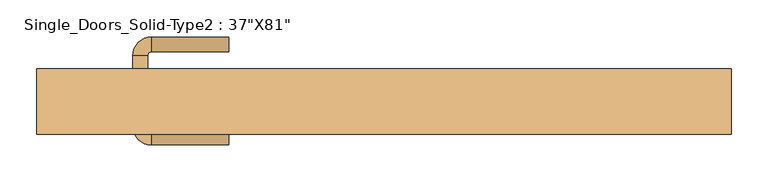
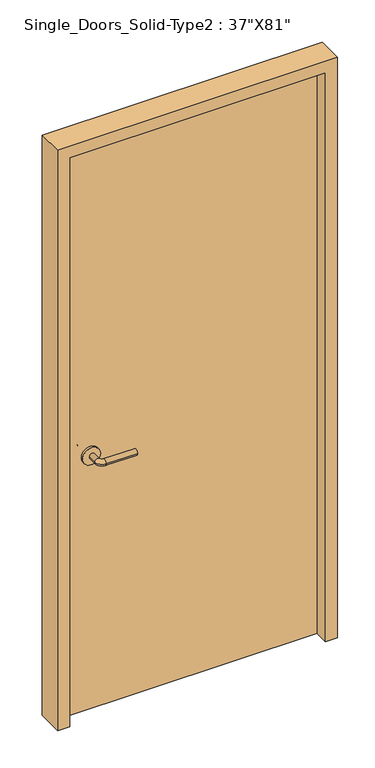
"""IFC4 building model written with IfcOpenShell, lengths in millimetres: door geometry."""

from ifc_helpers import new_model, si_unit, point, frame, frame_2d, origin, origin_with_axes, place, context, project, spatial, polyline, circle_curve, ellipse_curve, trimmed, segment, composite_curve, outline, extrude, source, transform, mapped, element, save
from ifc_brep_helpers import plane_surface, cylinder_surface, revolved_surface, advanced_brep


def door_2dcebad9(model_context):
    return source(origin(), model_context, "Body", "SolidModel", [
        advanced_brep(
        [(-339.9, -3.55, 900.0), (-319.9, -3.55, 900.0), (-319.9, -33.55, 900.0), (-339.9, -33.55, 900.0), (-314.9, -38.55, 900.0), (-314.9, -58.55, 900.0), (-209.9, -58.55, 900.0), (-209.9, -38.55, 900.0)],
        [
            (0, 1, circle_curve(frame((-329.9, -3.55, 900.0), z_axis=(0.0, 1.0, 0.0), x_axis=(1.0, 0.0, 0.0)), 10.0)),
            (1, 0, circle_curve(frame((-329.9, -3.55, 900.0), z_axis=(0.0, 1.0, 0.0), x_axis=(1.0, 0.0, 0.0)), 10.0)),
            (1, 2),
            (2, 3, circle_curve(frame((-329.9, -33.55, 900.0), z_axis=(0.0, 1.0, 0.0), x_axis=(1.0, 0.0, 0.0)), 10.0)),
            (3, 0),
            (3, 2, circle_curve(frame((-329.9, -33.55, 900.0), z_axis=(0.0, 1.0, 0.0), x_axis=(1.0, 0.0, 0.0)), 10.0)),
            (4, 5, circle_curve(frame((-314.9, -48.55, 900.0), z_axis=(-1.0, 0.0, 0.0), x_axis=(0.0, 1.0, 0.0)), 10.0)),
            (5, 3, circle_curve(frame((-314.9, -33.55, 900.0), z_axis=(0.0, 0.0, -1.0), x_axis=(-1.0, 0.0, 0.0)), 25.0)),
            (2, 4, circle_curve(frame((-314.9, -33.55, 900.0), z_axis=(0.0, 0.0, 1.0), x_axis=(-1.0, 0.0, 0.0)), 5.0)),
            (5, 4, circle_curve(frame((-314.9, -48.55, 900.0), z_axis=(-1.0, 0.0, 0.0), x_axis=(0.0, 1.0, 0.0)), 10.0)),
            (6, 7, circle_curve(frame((-209.9, -48.55, 900.0), z_axis=(1.0, 0.0, 0.0), x_axis=(0.0, 1.0, 0.0)), 10.0)),
            (7, 6, circle_curve(frame((-209.9, -48.55, 900.0), z_axis=(1.0, 0.0, 0.0), x_axis=(0.0, 1.0, 0.0)), 10.0)),
            (4, 7),
            (6, 5),
        ],
        [
            plane_surface(frame((-329.9, -3.55, 900.0), z_axis=(0.0, 1.0, 0.0), x_axis=(0.0, 0.0, 1.0))),
            cylinder_surface(frame((-329.9, -3.55, 900.0), z_axis=(0.0, 1.0, 0.0), x_axis=(1.0, 0.0, 0.0)), 10.0),
            revolved_surface(trimmed(ellipse_curve(frame((-329.9, -33.55, 900.0), z_axis=(0.0, -1.0, 0.0), x_axis=(1.0, 0.0, 0.0)), 10.0, 10.0), [point((-339.9, -33.55, 900.0))], [point((-319.9, -33.55, 900.0))], True, "CARTESIAN"), (-314.9, -33.55, 900.0), (0.0, 0.0, -1.0)),
            revolved_surface(trimmed(ellipse_curve(frame((-329.9, -33.55, 900.0), z_axis=(0.0, -1.0, 0.0), x_axis=(1.0, 0.0, 0.0)), 10.0, 10.0), [point((-319.9, -33.55, 900.0))], [point((-339.9, -33.55, 900.0))], True, "CARTESIAN"), (-314.9, -33.55, 900.0), (0.0, 0.0, -1.0)),
            plane_surface(frame((-209.9, -48.55, 900.0), z_axis=(1.0, 0.0, 0.0), x_axis=(0.0, 0.0, 1.0))),
            cylinder_surface(frame((-314.9, -48.55, 900.0), z_axis=(-1.0, 0.0, 0.0), x_axis=(0.0, 1.0, 0.0)), 10.0),
        ],
        [
            (0, [[1, 2]]),
            (1, [[3, 4, 5, -2]]),
            (1, [[-5, 6, -3, -1]]),
            (2, [[7, 8, -4, 9]]),
            (3, [[10, -9, -6, -8]]),
            (4, [[11, 12]]),
            (5, [[13, -11, 14, -7]]),
            (5, [[-14, -12, -13, -10]]),
        ],
    ),
        extrude(outline(composite_curve([segment(trimmed(circle_curve(frame_2d((900.0, -332.4)), 30.0), [point((900.0, -362.4))], [point((900.0, -302.4))], False, "CARTESIAN"), True, "CONTINUOUS"), segment(trimmed(circle_curve(frame_2d((900.0, -332.4)), 30.0), [point((900.0, -302.4))], [point((900.0, -362.4))], False, "CARTESIAN"), True, "CONTINUOUS")], self_intersect=False)), frame((0.0, -3.55, 0.0), z_axis=(0.0, 1.0, 0.0), x_axis=(0.0, 0.0, 1.0)), (0.0, 0.0, 1.0), 8.0),
        advanced_brep(
        [(-339.9, 32.45, 900.0), (-319.9, 32.45, 900.0), (-339.9, 62.45, 900.0), (-319.9, 62.45, 900.0), (-314.9, 67.45, 900.0), (-314.9, 87.45, 900.0), (-209.9, 87.45, 900.0), (-209.9, 67.45, 900.0)],
        [
            (0, 1, circle_curve(frame((-329.9, 32.45, 900.0), z_axis=(0.0, -1.0, 0.0), x_axis=(1.0, 0.0, 0.0)), 10.0)),
            (1, 0, circle_curve(frame((-329.9, 32.45, 900.0), z_axis=(0.0, -1.0, 0.0), x_axis=(1.0, 0.0, 0.0)), 10.0)),
            (0, 2),
            (2, 3, circle_curve(frame((-329.9, 62.45, 900.0), z_axis=(0.0, -1.0, 0.0), x_axis=(1.0, 0.0, 0.0)), 10.0)),
            (3, 1),
            (3, 2, circle_curve(frame((-329.9, 62.45, 900.0), z_axis=(0.0, -1.0, 0.0), x_axis=(1.0, 0.0, 0.0)), 10.0)),
            (4, 3, circle_curve(frame((-314.9, 62.45, 900.0), z_axis=(0.0, 0.0, 1.0), x_axis=(-1.0, 0.0, 0.0)), 5.0)),
            (2, 5, circle_curve(frame((-314.9, 62.45, 900.0), z_axis=(0.0, 0.0, -1.0), x_axis=(-1.0, 0.0, 0.0)), 25.0)),
            (5, 4, circle_curve(frame((-314.9, 77.45, 900.0), z_axis=(-1.0, 0.0, 0.0), x_axis=(0.0, -1.0, 0.0)), 10.0)),
            (4, 5, circle_curve(frame((-314.9, 77.45, 900.0), z_axis=(-1.0, 0.0, 0.0), x_axis=(0.0, -1.0, 0.0)), 10.0)),
            (6, 7, circle_curve(frame((-209.9, 77.45, 900.0), z_axis=(1.0, 0.0, 0.0), x_axis=(0.0, -1.0, 0.0)), 10.0)),
            (7, 6, circle_curve(frame((-209.9, 77.45, 900.0), z_axis=(1.0, 0.0, 0.0), x_axis=(0.0, -1.0, 0.0)), 10.0)),
            (5, 6),
            (7, 4),
        ],
        [
            plane_surface(frame((-329.9, 32.45, 900.0), z_axis=(0.0, -1.0, 0.0), x_axis=(0.0, 0.0, 1.0))),
            cylinder_surface(frame((-329.9, 32.45, 900.0), z_axis=(0.0, -1.0, 0.0), x_axis=(1.0, 0.0, 0.0)), 10.0),
            revolved_surface(trimmed(ellipse_curve(frame((-329.9, 62.45, 900.0), z_axis=(0.0, -1.0, 0.0), x_axis=(1.0, 0.0, 0.0)), 10.0, 10.0), [point((-339.9, 62.45, 900.0))], [point((-319.9, 62.45, 900.0))], True, "CARTESIAN"), (-314.9, 62.45, 900.0), (0.0, 0.0, -1.0)),
            revolved_surface(trimmed(ellipse_curve(frame((-329.9, 62.45, 900.0), z_axis=(0.0, -1.0, 0.0), x_axis=(1.0, 0.0, 0.0)), 10.0, 10.0), [point((-319.9, 62.45, 900.0))], [point((-339.9, 62.45, 900.0))], True, "CARTESIAN"), (-314.9, 62.45, 900.0), (0.0, 0.0, -1.0)),
            plane_surface(frame((-209.9, 77.45, 900.0), z_axis=(1.0, 0.0, 0.0), x_axis=(0.0, 0.0, 1.0))),
            cylinder_surface(frame((-314.9, 77.45, 900.0), z_axis=(-1.0, 0.0, 0.0), x_axis=(0.0, -1.0, 0.0)), 10.0),
        ],
        [
            (0, [[1, 2]]),
            (1, [[-1, 3, 4, 5]]),
            (1, [[-2, -5, 6, -3]]),
            (2, [[7, -4, 8, 9]]),
            (3, [[-8, -6, -7, 10]]),
            (4, [[11, 12]]),
            (5, [[-9, 13, -12, 14]]),
            (5, [[-10, -14, -11, -13]]),
        ],
    ),
        extrude(outline(composite_curve([segment(trimmed(circle_curve(frame_2d((900.0, -332.4)), 30.0), [point((900.0, -362.4))], [point((900.0, -302.4))], False, "CARTESIAN"), True, "CONTINUOUS"), segment(trimmed(circle_curve(frame_2d((900.0, -332.4)), 30.0), [point((900.0, -302.4))], [point((900.0, -362.4))], False, "CARTESIAN"), True, "CONTINUOUS")], self_intersect=False)), frame((0.0, 24.45, 0.0), z_axis=(0.0, 1.0, 0.0), x_axis=(0.0, 0.0, 1.0)), (0.0, 0.0, 1.0), 8.0),
        extrude(outline(polyline([(0.0, -469.9), (0.0, -429.9), (2017.4, -429.9), (2017.4, 429.9), (0.0, 429.9), (0.0, 469.9), (2057.4, 469.9), (2057.4, -469.9), (0.0, -469.9)])), frame((0.0, -44.45, 0.0), z_axis=(0.0, 1.0, 0.0), x_axis=(0.0, 0.0, 1.0)), (0.0, 0.0, 1.0), 88.9),
        extrude(outline(polyline([(429.9, 4.45), (-429.9, 4.45), (-429.9, 24.45), (429.9, 24.45), (429.9, 4.45)])), origin_with_axes(), (0.0, 0.0, 1.0), 2017.4),
    ])


if __name__ == "__main__":
    model = new_model("IFC4")
    model_context = context("Model", 3, world=origin())
    ifc_project = project(units=[si_unit("LENGTHUNIT", "METRE", prefix="MILLI")], contexts=[model_context])
    site = spatial("IfcSite", under=ifc_project)
    building = spatial("IfcBuilding", under=site)
    placement = place(None, origin())
    door_shape = door_2dcebad9(model_context)
    element("IfcDoor", 1, ObjectType="Single_Doors_Solid-Type2 : 37\"X81\"", at=placement, inside=building, context=model_context, shape_type="MappedRepresentation", body=[
        mapped(door_shape, transform((0.0, 0.0, 0.0), x_axis=(1.0, 0.0, 0.0), y_axis=(0.0, 1.0, 0.0), z_axis=(0.0, 0.0, 1.0))),
    ])
    save(model, "model.ifc")
